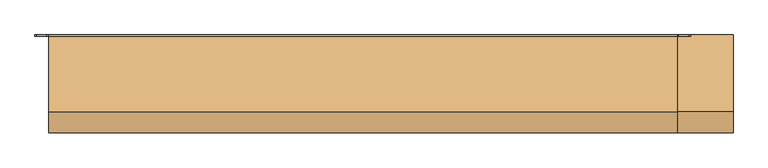
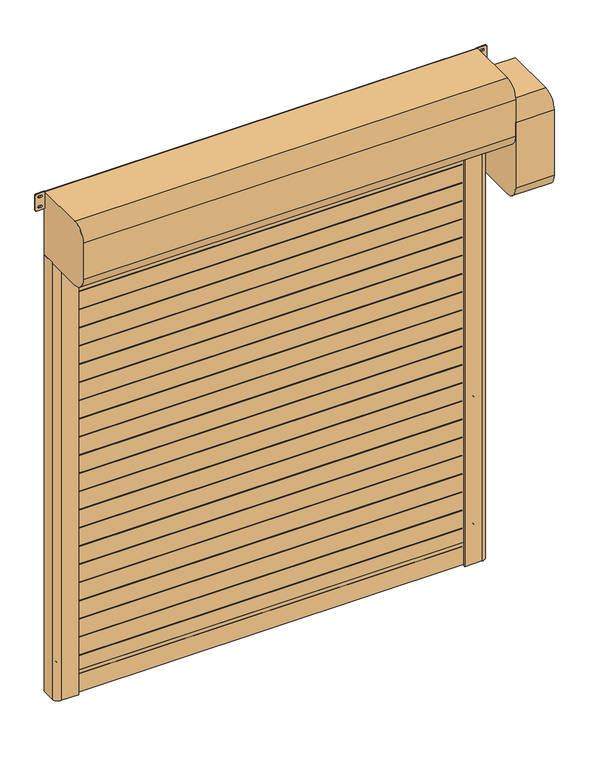
"""IFC4 building model written with IfcOpenShell, lengths in millimetres: door geometry."""

from ifc_helpers import new_model, si_unit, point, frame, frame_2d, origin, origin_with_axes, place, context, project, spatial, polyline, circle_curve, trimmed, segment, composite_curve, outline, extrude, source, transform, mapped, element, save


def door_a66aba2e(model_context):
    return source(origin(), model_context, "Body", "SweptSolid", [
        extrude(outline(polyline([(-1000.0, -81.5), (-1000.0, -59.5), (1000.0, -59.5), (1000.0, -81.5), (-1000.0, -81.5)])), frame((0.0, 0.0, 2599.0), z_axis=(0.0, 0.0, 1.0), x_axis=(1.0, 0.0, 0.0)), (0.0, 0.0, 1.0), 2.0),
        extrude(outline(polyline([(-1000.0, -81.5), (-1000.0, -59.5), (1000.0, -59.5), (1000.0, -81.5), (-1000.0, -81.5)])), frame((0.0, 0.0, 2499.0), z_axis=(0.0, 0.0, 1.0), x_axis=(1.0, 0.0, 0.0)), (0.0, 0.0, 1.0), 2.0),
        extrude(outline(polyline([(-1000.0, -81.5), (-1000.0, -59.5), (1000.0, -59.5), (1000.0, -81.5), (-1000.0, -81.5)])), frame((0.0, 0.0, 2399.0), z_axis=(0.0, 0.0, 1.0), x_axis=(1.0, 0.0, 0.0)), (0.0, 0.0, 1.0), 2.0),
        extrude(outline(polyline([(-1000.0, -81.5), (-1000.0, -59.5), (1000.0, -59.5), (1000.0, -81.5), (-1000.0, -81.5)])), frame((0.0, 0.0, 2299.0), z_axis=(0.0, 0.0, 1.0), x_axis=(1.0, 0.0, 0.0)), (0.0, 0.0, 1.0), 2.0),
        extrude(outline(polyline([(-1000.0, -81.5), (-1000.0, -59.5), (1000.0, -59.5), (1000.0, -81.5), (-1000.0, -81.5)])), frame((0.0, 0.0, 2199.0), z_axis=(0.0, 0.0, 1.0), x_axis=(1.0, 0.0, 0.0)), (0.0, 0.0, 1.0), 2.0),
        extrude(outline(polyline([(-1000.0, -81.5), (-1000.0, -59.5), (1000.0, -59.5), (1000.0, -81.5), (-1000.0, -81.5)])), frame((0.0, 0.0, 2099.0), z_axis=(0.0, 0.0, 1.0), x_axis=(1.0, 0.0, 0.0)), (0.0, 0.0, 1.0), 2.0),
        extrude(outline(polyline([(-1000.0, -81.5), (-1000.0, -59.5), (1000.0, -59.5), (1000.0, -81.5), (-1000.0, -81.5)])), frame((0.0, 0.0, 1999.0), z_axis=(0.0, 0.0, 1.0), x_axis=(1.0, 0.0, 0.0)), (0.0, 0.0, 1.0), 2.0),
        extrude(outline(polyline([(-1000.0, -81.5), (-1000.0, -59.5), (1000.0, -59.5), (1000.0, -81.5), (-1000.0, -81.5)])), frame((0.0, 0.0, 1899.0), z_axis=(0.0, 0.0, 1.0), x_axis=(1.0, 0.0, 0.0)), (0.0, 0.0, 1.0), 2.0),
        extrude(outline(polyline([(-1000.0, -81.5), (-1000.0, -59.5), (1000.0, -59.5), (1000.0, -81.5), (-1000.0, -81.5)])), frame((0.0, 0.0, 1799.0), z_axis=(0.0, 0.0, 1.0), x_axis=(1.0, 0.0, 0.0)), (0.0, 0.0, 1.0), 2.0),
        extrude(outline(polyline([(-1000.0, -81.5), (-1000.0, -59.5), (1000.0, -59.5), (1000.0, -81.5), (-1000.0, -81.5)])), frame((0.0, 0.0, 1699.0), z_axis=(0.0, 0.0, 1.0), x_axis=(1.0, 0.0, 0.0)), (0.0, 0.0, 1.0), 2.0),
        extrude(outline(polyline([(-1000.0, -81.5), (-1000.0, -59.5), (1000.0, -59.5), (1000.0, -81.5), (-1000.0, -81.5)])), frame((0.0, 0.0, 1599.0), z_axis=(0.0, 0.0, 1.0), x_axis=(1.0, 0.0, 0.0)), (0.0, 0.0, 1.0), 2.0),
        extrude(outline(polyline([(-1000.0, -81.5), (-1000.0, -59.5), (1000.0, -59.5), (1000.0, -81.5), (-1000.0, -81.5)])), frame((0.0, 0.0, 1499.0), z_axis=(0.0, 0.0, 1.0), x_axis=(1.0, 0.0, 0.0)), (0.0, 0.0, 1.0), 2.0),
        extrude(outline(polyline([(-1000.0, -81.5), (-1000.0, -59.5), (1000.0, -59.5), (1000.0, -81.5), (-1000.0, -81.5)])), frame((0.0, 0.0, 1399.0), z_axis=(0.0, 0.0, 1.0), x_axis=(1.0, 0.0, 0.0)), (0.0, 0.0, 1.0), 2.0),
        extrude(outline(polyline([(-1000.0, -81.5), (-1000.0, -59.5), (1000.0, -59.5), (1000.0, -81.5), (-1000.0, -81.5)])), frame((0.0, 0.0, 1299.0), z_axis=(0.0, 0.0, 1.0), x_axis=(1.0, 0.0, 0.0)), (0.0, 0.0, 1.0), 2.0),
        extrude(outline(polyline([(-1000.0, -81.5), (-1000.0, -59.5), (1000.0, -59.5), (1000.0, -81.5), (-1000.0, -81.5)])), frame((0.0, 0.0, 1199.0), z_axis=(0.0, 0.0, 1.0), x_axis=(1.0, 0.0, 0.0)), (0.0, 0.0, 1.0), 2.0),
        extrude(outline(polyline([(-1000.0, -81.5), (-1000.0, -59.5), (1000.0, -59.5), (1000.0, -81.5), (-1000.0, -81.5)])), frame((0.0, 0.0, 1099.0), z_axis=(0.0, 0.0, 1.0), x_axis=(1.0, 0.0, 0.0)), (0.0, 0.0, 1.0), 2.0),
        extrude(outline(polyline([(-1000.0, -81.5), (-1000.0, -59.5), (1000.0, -59.5), (1000.0, -81.5), (-1000.0, -81.5)])), frame((0.0, 0.0, 999.0), z_axis=(0.0, 0.0, 1.0), x_axis=(1.0, 0.0, 0.0)), (0.0, 0.0, 1.0), 2.0),
        extrude(outline(polyline([(-1000.0, -81.5), (-1000.0, -59.5), (1000.0, -59.5), (1000.0, -81.5), (-1000.0, -81.5)])), frame((0.0, 0.0, 899.0), z_axis=(0.0, 0.0, 1.0), x_axis=(1.0, 0.0, 0.0)), (0.0, 0.0, 1.0), 2.0),
        extrude(outline(polyline([(-1000.0, -81.5), (-1000.0, -59.5), (1000.0, -59.5), (1000.0, -81.5), (-1000.0, -81.5)])), frame((0.0, 0.0, 799.0), z_axis=(0.0, 0.0, 1.0), x_axis=(1.0, 0.0, 0.0)), (0.0, 0.0, 1.0), 2.0),
        extrude(outline(polyline([(-1000.0, -81.5), (-1000.0, -59.5), (1000.0, -59.5), (1000.0, -81.5), (-1000.0, -81.5)])), frame((0.0, 0.0, 699.0), z_axis=(0.0, 0.0, 1.0), x_axis=(1.0, 0.0, 0.0)), (0.0, 0.0, 1.0), 2.0),
        extrude(outline(polyline([(-1000.0, -81.5), (-1000.0, -59.5), (1000.0, -59.5), (1000.0, -81.5), (-1000.0, -81.5)])), frame((0.0, 0.0, 599.0), z_axis=(0.0, 0.0, 1.0), x_axis=(1.0, 0.0, 0.0)), (0.0, 0.0, 1.0), 2.0),
        extrude(outline(polyline([(-1000.0, -81.5), (-1000.0, -59.5), (1000.0, -59.5), (1000.0, -81.5), (-1000.0, -81.5)])), frame((0.0, 0.0, 499.0), z_axis=(0.0, 0.0, 1.0), x_axis=(1.0, 0.0, 0.0)), (0.0, 0.0, 1.0), 2.0),
        extrude(outline(polyline([(-1000.0, -81.5), (-1000.0, -59.5), (1000.0, -59.5), (1000.0, -81.5), (-1000.0, -81.5)])), frame((0.0, 0.0, 399.0), z_axis=(0.0, 0.0, 1.0), x_axis=(1.0, 0.0, 0.0)), (0.0, 0.0, 1.0), 2.0),
        extrude(outline(polyline([(-1000.0, -81.5), (-1000.0, -59.5), (1000.0, -59.5), (1000.0, -81.5), (-1000.0, -81.5)])), frame((0.0, 0.0, 299.0), z_axis=(0.0, 0.0, 1.0), x_axis=(1.0, 0.0, 0.0)), (0.0, 0.0, 1.0), 2.0),
        extrude(outline(polyline([(-1000.0, -81.5), (-1000.0, -59.5), (1000.0, -59.5), (1000.0, -81.5), (-1000.0, -81.5)])), frame((0.0, 0.0, 199.0), z_axis=(0.0, 0.0, 1.0), x_axis=(1.0, 0.0, 0.0)), (0.0, 0.0, 1.0), 2.0),
        extrude(outline(polyline([(-1000.0, -81.5), (-1000.0, -59.5), (1000.0, -59.5), (1000.0, -81.5), (-1000.0, -81.5)])), frame((0.0, 0.0, 99.0), z_axis=(0.0, 0.0, 1.0), x_axis=(1.0, 0.0, 0.0)), (0.0, 0.0, 1.0), 2.0),
        extrude(outline(composite_curve([segment(trimmed(circle_curve(frame_2d((1550.0, 1076.0)), 6.0), [point((1556.0, 1076.0))], [point((1544.0, 1076.0))], False, "CARTESIAN"), True, "CONTINUOUS"), segment(polyline([(1544.0, 1076.0), (1544.0, 1094.0)]), True, "CONTINUOUS"), segment(trimmed(circle_curve(frame_2d((1550.0, 1094.0)), 6.0), [point((1544.0, 1094.0))], [point((1556.0, 1094.0))], False, "CARTESIAN"), True, "CONTINUOUS"), segment(polyline([(1556.0, 1094.0), (1556.0, 1076.0)]), True, "CONTINUOUS")], self_intersect=False)), frame((0.0, -20.0, 0.0), z_axis=(0.0, 1.0, 0.0), x_axis=(0.0, 0.0, 1.0)), (0.0, 0.0, 1.0), 20.0),
        extrude(outline(composite_curve([segment(trimmed(circle_curve(frame_2d((850.0, 1076.0)), 6.0), [point((856.0, 1076.0))], [point((844.0, 1076.0))], False, "CARTESIAN"), True, "CONTINUOUS"), segment(polyline([(844.0, 1076.0), (844.0, 1094.0)]), True, "CONTINUOUS"), segment(trimmed(circle_curve(frame_2d((850.0, 1094.0)), 6.0), [point((844.0, 1094.0))], [point((856.0, 1094.0))], False, "CARTESIAN"), True, "CONTINUOUS"), segment(polyline([(856.0, 1094.0), (856.0, 1076.0)]), True, "CONTINUOUS")], self_intersect=False)), frame((0.0, -20.0, 0.0), z_axis=(0.0, 1.0, 0.0), x_axis=(0.0, 0.0, 1.0)), (0.0, 0.0, 1.0), 20.0),
        extrude(outline(composite_curve([segment(trimmed(circle_curve(frame_2d((2250.0, 1076.0)), 6.0), [point((2256.0, 1076.0))], [point((2244.0, 1076.0))], False, "CARTESIAN"), True, "CONTINUOUS"), segment(polyline([(2244.0, 1076.0), (2244.0, 1094.0)]), True, "CONTINUOUS"), segment(trimmed(circle_curve(frame_2d((2250.0, 1094.0)), 6.0), [point((2244.0, 1094.0))], [point((2256.0, 1094.0))], False, "CARTESIAN"), True, "CONTINUOUS"), segment(polyline([(2256.0, 1094.0), (2256.0, 1076.0)]), True, "CONTINUOUS")], self_intersect=False)), frame((0.0, -20.0, 0.0), z_axis=(0.0, 1.0, 0.0), x_axis=(0.0, 0.0, 1.0)), (0.0, 0.0, 1.0), 20.0),
        extrude(outline(composite_curve([segment(trimmed(circle_curve(frame_2d((150.0, 1076.0)), 6.0), [point((156.0, 1076.0))], [point((144.0, 1076.0))], False, "CARTESIAN"), True, "CONTINUOUS"), segment(polyline([(144.0, 1076.0), (144.0, 1094.0)]), True, "CONTINUOUS"), segment(trimmed(circle_curve(frame_2d((150.0, 1094.0)), 6.0), [point((144.0, 1094.0))], [point((156.0, 1094.0))], False, "CARTESIAN"), True, "CONTINUOUS"), segment(polyline([(156.0, 1094.0), (156.0, 1076.0)]), True, "CONTINUOUS")], self_intersect=False)), frame((0.0, -20.0, 0.0), z_axis=(0.0, 1.0, 0.0), x_axis=(0.0, 0.0, 1.0)), (0.0, 0.0, 1.0), 20.0),
        extrude(outline(composite_curve([segment(polyline([(1556.0, -1076.0), (1556.0, -1094.0)]), True, "CONTINUOUS"), segment(trimmed(circle_curve(frame_2d((1550.0, -1094.0)), 6.0), [point((1556.0, -1094.0))], [point((1544.0, -1094.0))], False, "CARTESIAN"), True, "CONTINUOUS"), segment(polyline([(1544.0, -1094.0), (1544.0, -1076.0)]), True, "CONTINUOUS"), segment(trimmed(circle_curve(frame_2d((1550.0, -1076.0)), 6.0), [point((1544.0, -1076.0))], [point((1556.0, -1076.0))], False, "CARTESIAN"), True, "CONTINUOUS")], self_intersect=False)), frame((0.0, -20.0, 0.0), z_axis=(0.0, 1.0, 0.0), x_axis=(0.0, 0.0, 1.0)), (0.0, 0.0, 1.0), 20.0),
        extrude(outline(composite_curve([segment(polyline([(856.0, -1076.0), (856.0, -1094.0)]), True, "CONTINUOUS"), segment(trimmed(circle_curve(frame_2d((850.0, -1094.0)), 6.0), [point((856.0, -1094.0))], [point((844.0, -1094.0))], False, "CARTESIAN"), True, "CONTINUOUS"), segment(polyline([(844.0, -1094.0), (844.0, -1076.0)]), True, "CONTINUOUS"), segment(trimmed(circle_curve(frame_2d((850.0, -1076.0)), 6.0), [point((844.0, -1076.0))], [point((856.0, -1076.0))], False, "CARTESIAN"), True, "CONTINUOUS")], self_intersect=False)), frame((0.0, -20.0, 0.0), z_axis=(0.0, 1.0, 0.0), x_axis=(0.0, 0.0, 1.0)), (0.0, 0.0, 1.0), 20.0),
        extrude(outline(composite_curve([segment(polyline([(2256.0, -1076.0), (2256.0, -1094.0)]), True, "CONTINUOUS"), segment(trimmed(circle_curve(frame_2d((2250.0, -1094.0)), 6.0), [point((2256.0, -1094.0))], [point((2244.0, -1094.0))], False, "CARTESIAN"), True, "CONTINUOUS"), segment(polyline([(2244.0, -1094.0), (2244.0, -1076.0)]), True, "CONTINUOUS"), segment(trimmed(circle_curve(frame_2d((2250.0, -1076.0)), 6.0), [point((2244.0, -1076.0))], [point((2256.0, -1076.0))], False, "CARTESIAN"), True, "CONTINUOUS")], self_intersect=False)), frame((0.0, -20.0, 0.0), z_axis=(0.0, 1.0, 0.0), x_axis=(0.0, 0.0, 1.0)), (0.0, 0.0, 1.0), 20.0),
        extrude(outline(composite_curve([segment(polyline([(156.0, -1076.0), (156.0, -1094.0)]), True, "CONTINUOUS"), segment(trimmed(circle_curve(frame_2d((150.0, -1094.0)), 6.0), [point((156.0, -1094.0))], [point((144.0, -1094.0))], False, "CARTESIAN"), True, "CONTINUOUS"), segment(polyline([(144.0, -1094.0), (144.0, -1076.0)]), True, "CONTINUOUS"), segment(trimmed(circle_curve(frame_2d((150.0, -1076.0)), 6.0), [point((144.0, -1076.0))], [point((156.0, -1076.0))], False, "CARTESIAN"), True, "CONTINUOUS")], self_intersect=False)), frame((0.0, -20.0, 0.0), z_axis=(0.0, 1.0, 0.0), x_axis=(0.0, 0.0, 1.0)), (0.0, 0.0, 1.0), 20.0),
        extrude(outline(polyline([(-1012.0, -61.5), (1012.0, -61.5), (1012.0, -79.5), (-1012.0, -79.5), (-1012.0, -61.5)])), frame((0.0, 0.0, 120.0), z_axis=(0.0, 0.0, 1.0), x_axis=(1.0, 0.0, 0.0)), (0.0, 0.0, 1.0), 2455.0),
        extrude(outline(polyline([(-1012.0, -59.5), (1012.0, -59.5), (1012.0, -81.5), (-1012.0, -81.5), (-1012.0, -59.5)])), origin_with_axes(), (0.0, 0.0, 1.0), 120.0),
        extrude(outline(composite_curve([segment(polyline([(-1125.0, 0.0), (-1015.0, 0.0), (-1015.0, -49.2857143), (-1035.0, -55.0), (-1000.0, -55.0), (-1000.0, -61.5), (-1020.0, -61.5), (-1020.0, -68.5), (-1000.0, -68.5), (-1000.0, -75.0), (-1035.0, -75.0), (-1035.0, -90.0), (-1005.0, -90.0), (-1005.0, -100.0), (-1095.0, -100.0)]), True, "CONTINUOUS"), segment(trimmed(circle_curve(frame_2d((-1095.0, -70.0)), 30.0), [point((-1095.0, -100.0))], [point((-1125.0, -70.0))], False, "CARTESIAN"), True, "CONTINUOUS"), segment(polyline([(-1125.0, -70.0), (-1125.0, 0.0)]), True, "CONTINUOUS")], self_intersect=False)), origin_with_axes(), (0.0, 0.0, 1.0), 2400.0),
        extrude(outline(composite_curve([segment(polyline([(1125.0, 0.0), (1125.0, -70.0)]), True, "CONTINUOUS"), segment(trimmed(circle_curve(frame_2d((1095.0, -70.0)), 30.0), [point((1125.0, -70.0))], [point((1095.0, -100.0))], False, "CARTESIAN"), True, "CONTINUOUS"), segment(polyline([(1095.0, -100.0), (1005.0, -100.0), (1005.0, -90.0), (1035.0, -90.0), (1035.0, -75.0), (1000.0, -75.0), (1000.0, -68.5), (1020.0, -68.5), (1020.0, -61.5), (1000.0, -61.5), (1000.0, -55.0), (1035.0, -55.0), (1015.0, -49.2857143), (1015.0, 0.0), (1125.0, 0.0)]), True, "CONTINUOUS")], self_intersect=False)), origin_with_axes(), (0.0, 0.0, 1.0), 2400.0),
        extrude(outline(composite_curve([segment(trimmed(circle_curve(frame_2d((-5.0, 2405.0)), 5.0), [point((0.0, 2405.0))], [point((-5.0, 2400.0))], False, "CARTESIAN"), True, "CONTINUOUS"), segment(polyline([(-5.0, 2400.0), (-275.0, 2400.0)]), True, "CONTINUOUS"), segment(trimmed(circle_curve(frame_2d((-275.0, 2475.0)), 75.0), [point((-275.0, 2400.0))], [point((-350.0, 2475.0))], False, "CARTESIAN"), True, "CONTINUOUS"), segment(polyline([(-350.0, 2475.0), (-350.0, 2675.0)]), True, "CONTINUOUS"), segment(trimmed(circle_curve(frame_2d((-275.0, 2675.0)), 75.0), [point((-350.0, 2675.0))], [point((-275.0, 2750.0))], False, "CARTESIAN"), True, "CONTINUOUS"), segment(polyline([(-275.0, 2750.0), (-5.0, 2750.0)]), True, "CONTINUOUS"), segment(trimmed(circle_curve(frame_2d((-5.0, 2745.0)), 5.0), [point((-5.0, 2750.0))], [point((0.0, 2745.0))], False, "CARTESIAN"), True, "CONTINUOUS"), segment(polyline([(0.0, 2745.0), (0.0, 2405.0)]), True, "CONTINUOUS")], self_intersect=False)), frame((-1125.0, 0.0, 0.0), z_axis=(1.0, 0.0, 0.0), x_axis=(0.0, 1.0, 0.0)), (0.0, 0.0, 1.0), 2250.0),
        extrude(outline(composite_curve([segment(trimmed(circle_curve(frame_2d((2663.75, 1130.75)), 5.75), [point((2663.75, 1125.0))], [point((2658.0, 1130.75))], False, "CARTESIAN"), True, "CONTINUOUS"), segment(polyline([(2658.0, 1130.75), (2658.0, 1168.25)]), True, "CONTINUOUS"), segment(trimmed(circle_curve(frame_2d((2663.75, 1168.25)), 5.75), [point((2658.0, 1168.25))], [point((2663.75, 1174.0))], False, "CARTESIAN"), True, "CONTINUOUS"), segment(polyline([(2663.75, 1174.0), (2744.25, 1174.0)]), True, "CONTINUOUS"), segment(trimmed(circle_curve(frame_2d((2744.25, 1168.25)), 5.75), [point((2744.25, 1174.0))], [point((2750.0, 1168.25))], False, "CARTESIAN"), True, "CONTINUOUS"), segment(polyline([(2750.0, 1168.25), (2750.0, 1130.75)]), True, "CONTINUOUS"), segment(trimmed(circle_curve(frame_2d((2744.25, 1130.75)), 5.75), [point((2750.0, 1130.75))], [point((2744.25, 1125.0))], False, "CARTESIAN"), True, "CONTINUOUS"), segment(polyline([(2744.25, 1125.0), (2663.75, 1125.0)]), True, "CONTINUOUS")], self_intersect=False), holes=[composite_curve([segment(trimmed(circle_curve(frame_2d((2731.5, 1153.75)), 5.75), [point((2737.25, 1153.75))], [point((2725.75, 1153.75))], True, "CARTESIAN"), True, "CONTINUOUS"), segment(polyline([(2725.75, 1153.75), (2725.75, 1145.25)]), True, "CONTINUOUS"), segment(trimmed(circle_curve(frame_2d((2731.5, 1145.25)), 5.75), [point((2725.75, 1145.25))], [point((2737.25, 1145.25))], True, "CARTESIAN"), True, "CONTINUOUS"), segment(polyline([(2737.25, 1145.25), (2737.25, 1153.75)]), True, "CONTINUOUS")], self_intersect=False), composite_curve([segment(trimmed(circle_curve(frame_2d((2676.5, 1153.75)), 5.75), [point((2682.25, 1153.75))], [point((2670.75, 1153.75))], True, "CARTESIAN"), True, "CONTINUOUS"), segment(polyline([(2670.75, 1153.75), (2670.75, 1145.25)]), True, "CONTINUOUS"), segment(trimmed(circle_curve(frame_2d((2676.5, 1145.25)), 5.75), [point((2670.75, 1145.25))], [point((2682.25, 1145.25))], True, "CARTESIAN"), True, "CONTINUOUS"), segment(polyline([(2682.25, 1145.25), (2682.25, 1153.75)]), True, "CONTINUOUS")], self_intersect=False)]), frame((0.0, -5.0, 0.0), z_axis=(0.0, 1.0, 0.0), x_axis=(0.0, 0.0, 1.0)), (0.0, 0.0, 1.0), 5.0),
        extrude(outline(composite_curve([segment(trimmed(circle_curve(frame_2d((2663.75, -1168.25)), 5.75), [point((2663.75, -1174.0))], [point((2658.0, -1168.25))], False, "CARTESIAN"), True, "CONTINUOUS"), segment(polyline([(2658.0, -1168.25), (2658.0, -1130.75)]), True, "CONTINUOUS"), segment(trimmed(circle_curve(frame_2d((2663.75, -1130.75)), 5.75), [point((2658.0, -1130.75))], [point((2663.75, -1125.0))], False, "CARTESIAN"), True, "CONTINUOUS"), segment(polyline([(2663.75, -1125.0), (2744.25, -1125.0)]), True, "CONTINUOUS"), segment(trimmed(circle_curve(frame_2d((2744.25, -1130.75)), 5.75), [point((2744.25, -1125.0))], [point((2750.0, -1130.75))], False, "CARTESIAN"), True, "CONTINUOUS"), segment(polyline([(2750.0, -1130.75), (2750.0, -1168.25)]), True, "CONTINUOUS"), segment(trimmed(circle_curve(frame_2d((2744.25, -1168.25)), 5.75), [point((2750.0, -1168.25))], [point((2744.25, -1174.0))], False, "CARTESIAN"), True, "CONTINUOUS"), segment(polyline([(2744.25, -1174.0), (2663.75, -1174.0)]), True, "CONTINUOUS")], self_intersect=False), holes=[composite_curve([segment(trimmed(circle_curve(frame_2d((2731.5, -1145.25)), 5.75), [point((2737.25, -1145.25))], [point((2725.75, -1145.25))], True, "CARTESIAN"), True, "CONTINUOUS"), segment(polyline([(2725.75, -1145.25), (2725.75, -1153.75)]), True, "CONTINUOUS"), segment(trimmed(circle_curve(frame_2d((2731.5, -1153.75)), 5.75), [point((2725.75, -1153.75))], [point((2737.25, -1153.75))], True, "CARTESIAN"), True, "CONTINUOUS"), segment(polyline([(2737.25, -1153.75), (2737.25, -1145.25)]), True, "CONTINUOUS")], self_intersect=False), composite_curve([segment(trimmed(circle_curve(frame_2d((2676.5, -1145.25)), 5.75), [point((2682.25, -1145.25))], [point((2670.75, -1145.25))], True, "CARTESIAN"), True, "CONTINUOUS"), segment(polyline([(2670.75, -1145.25), (2670.75, -1153.75)]), True, "CONTINUOUS"), segment(trimmed(circle_curve(frame_2d((2676.5, -1153.75)), 5.75), [point((2670.75, -1153.75))], [point((2682.25, -1153.75))], True, "CARTESIAN"), True, "CONTINUOUS"), segment(polyline([(2682.25, -1153.75), (2682.25, -1145.25)]), True, "CONTINUOUS")], self_intersect=False)]), frame((0.0, -5.0, 0.0), z_axis=(0.0, 1.0, 0.0), x_axis=(0.0, 0.0, 1.0)), (0.0, 0.0, 1.0), 5.0),
        extrude(outline(composite_curve([segment(polyline([(0.0, 2625.0), (0.0, 2115.0), (-275.0, 2115.0)]), True, "CONTINUOUS"), segment(trimmed(circle_curve(frame_2d((-275.0, 2190.0)), 75.0), [point((-275.0, 2115.0))], [point((-350.0, 2190.0))], False, "CARTESIAN"), True, "CONTINUOUS"), segment(polyline([(-350.0, 2190.0), (-350.0, 2550.0)]), True, "CONTINUOUS"), segment(trimmed(circle_curve(frame_2d((-275.0, 2550.0)), 75.0), [point((-350.0, 2550.0))], [point((-275.0, 2625.0))], False, "CARTESIAN"), True, "CONTINUOUS"), segment(polyline([(-275.0, 2625.0), (0.0, 2625.0)]), True, "CONTINUOUS")], self_intersect=False)), frame((1125.0, 0.0, 0.0), z_axis=(1.0, 0.0, 0.0), x_axis=(0.0, 1.0, 0.0)), (0.0, 0.0, 1.0), 200.0),
    ])


if __name__ == "__main__":
    model = new_model("IFC4")
    model_context = context("Model", 3, world=origin())
    ifc_project = project(units=[si_unit("LENGTHUNIT", "METRE", prefix="MILLI")], contexts=[model_context])
    site = spatial("IfcSite", under=ifc_project)
    building = spatial("IfcBuilding", under=site)
    placement = place(None, origin())
    door_shape = door_a66aba2e(model_context)
    element("IfcDoor", 1, at=placement, inside=building, context=model_context, shape_type="MappedRepresentation", body=[
        mapped(door_shape, transform((0.0, 0.0, 0.0), x_axis=(1.0, 0.0, 0.0), y_axis=(0.0, 1.0, 0.0), z_axis=(0.0, 0.0, 1.0))),
    ])
    save(model, "model.ifc")
